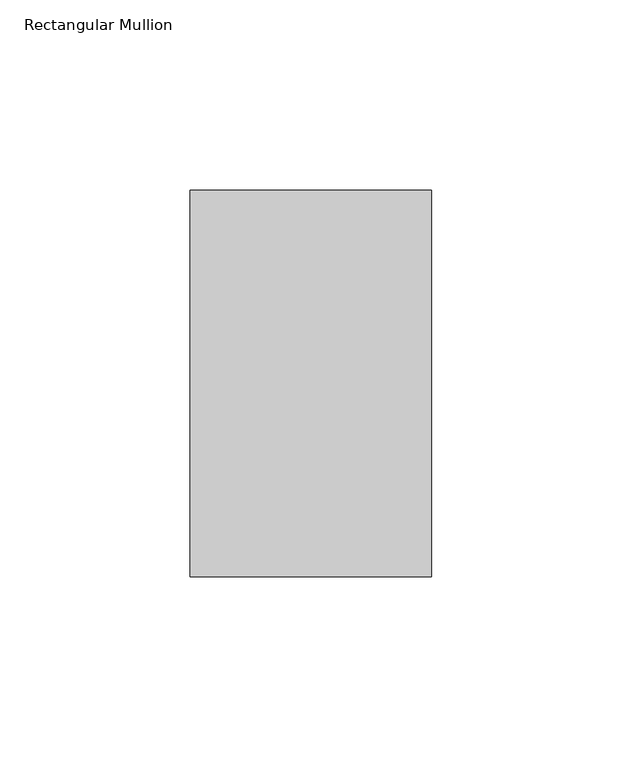
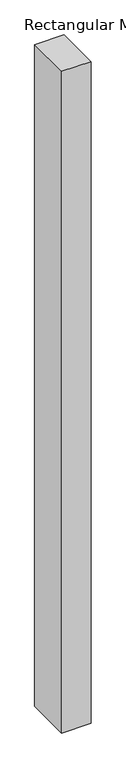
"""IFC4 building model written with IfcOpenShell, lengths in millimetres: member geometry, Rectangular Mullion."""

from ifc_helpers import new_model, si_unit, frame, origin, place, context, project, spatial, polyline, outline, extrude, source, transform, mapped, element, save


def rectangular_mullion_059099b8(model_context):
    return source(origin(), model_context, "Body", "SweptSolid", [
        extrude(outline(polyline([(-31.7618723, -50.8), (-31.7618723, 50.8), (31.7618723, 50.8), (31.7618723, -50.8), (-31.7618723, -50.8)])), frame((0.0, 0.0, -1518.4374), z_axis=(0.0, 0.0, 1.0), x_axis=(1.0, 0.0, 0.0)), (0.0, 0.0, 1.0), 1518.4374),
    ])


if __name__ == "__main__":
    model = new_model("IFC4")
    model_context = context("Model", 3, world=origin())
    ifc_project = project(units=[si_unit("LENGTHUNIT", "METRE", prefix="MILLI")], contexts=[model_context])
    site = spatial("IfcSite", under=ifc_project)
    building = spatial("IfcBuilding", under=site)
    placement = place(None, origin())
    rectangular_mullion_shape = rectangular_mullion_059099b8(model_context)
    element("IfcMember", 1, ObjectType="Rectangular Mullion", at=placement, inside=building, context=model_context, shape_type="MappedRepresentation", body=[
        mapped(rectangular_mullion_shape, transform((0.0, 0.0, 0.0), x_axis=(1.0, 0.0, 0.0), y_axis=(0.0, 1.0, 0.0), z_axis=(0.0, 0.0, 1.0))),
    ])
    save(model, "model.ifc")
